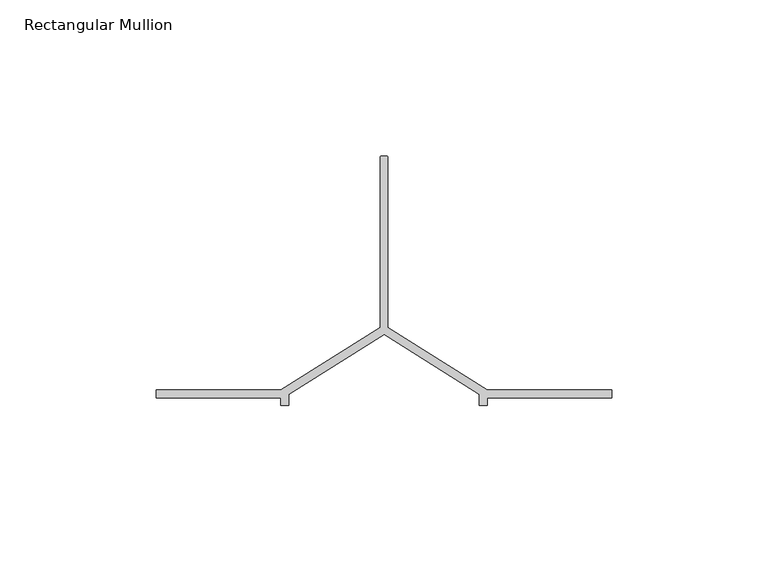
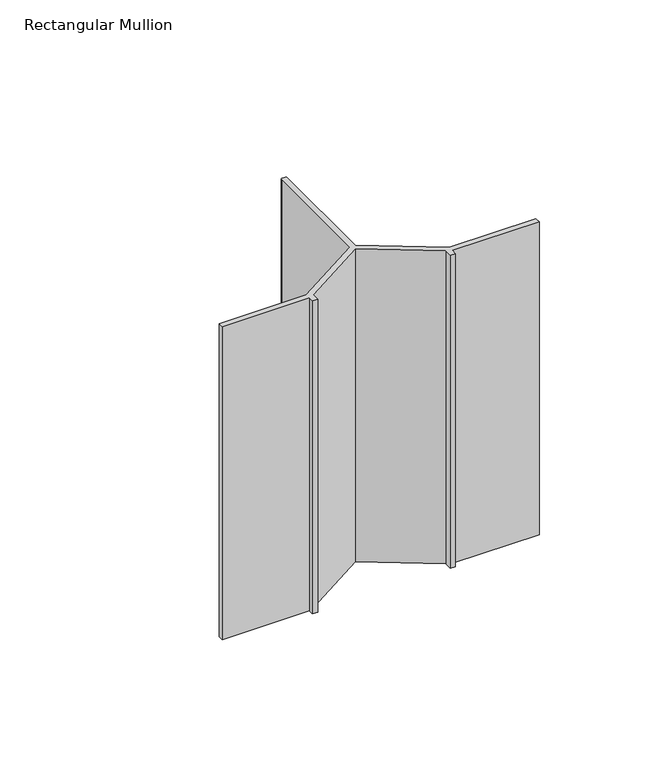
"""IFC4 building model written with IfcOpenShell, lengths in millimetres: member geometry, Rectangular Mullion."""

from ifc_helpers import new_model, si_unit, point, frame, frame_2d, origin, place, context, project, spatial, polyline, circle_curve, trimmed, segment, composite_curve, outline, extrude, source, transform, mapped, element, save


def rectangular_mullion_191f78e6(model_context):
    return source(origin(), model_context, "Body", "SweptSolid", [
        extrude(outline(composite_curve([segment(polyline([(-0.75, -68.5), (0.75, -68.5)]), True, "CONTINUOUS"), segment(trimmed(circle_curve(frame_2d((0.75, -69.0)), 0.5), [point((0.75, -68.5))], [point((1.25, -69.0))], False, "CARTESIAN"), True, "CONTINUOUS"), segment(polyline([(1.25, -69.0), (1.25, -123.5), (33.0, -143.5), (73.0, -143.5), (73.0, -146.0), (33.0, -146.0), (33.0, -148.5), (30.5, -148.5), (30.5, -144.879855), (0.0, -125.6672566), (-30.5, -144.879855), (-30.5, -148.5), (-33.0, -148.5), (-33.0, -146.0), (-73.0, -146.0), (-73.0, -143.5), (-33.0, -143.5), (-1.25, -123.5), (-1.25, -69.0)]), True, "CONTINUOUS"), segment(trimmed(circle_curve(frame_2d((-0.75, -69.0)), 0.5), [point((-1.25, -69.0))], [point((-0.75, -68.5))], False, "CARTESIAN"), True, "CONTINUOUS")], self_intersect=False)), frame((0.0, 0.0, -152.5194954), z_axis=(0.0, 0.0, 1.0), x_axis=(1.0, 0.0, 0.0)), (0.0, 0.0, 1.0), 152.5194954),
    ])


if __name__ == "__main__":
    model = new_model("IFC4")
    model_context = context("Model", 3, world=origin())
    ifc_project = project(units=[si_unit("LENGTHUNIT", "METRE", prefix="MILLI")], contexts=[model_context])
    site = spatial("IfcSite", under=ifc_project)
    building = spatial("IfcBuilding", under=site)
    placement = place(None, origin())
    rectangular_mullion_shape = rectangular_mullion_191f78e6(model_context)
    element("IfcMember", 1, ObjectType="Rectangular Mullion", at=placement, inside=building, context=model_context, shape_type="MappedRepresentation", body=[
        mapped(rectangular_mullion_shape, transform((0.0, 0.0, 0.0), x_axis=(1.0, 0.0, 0.0), y_axis=(0.0, 1.0, 0.0), z_axis=(0.0, 0.0, 1.0))),
    ])
    save(model, "model.ifc")
